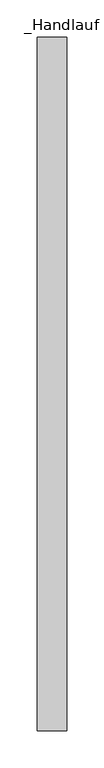
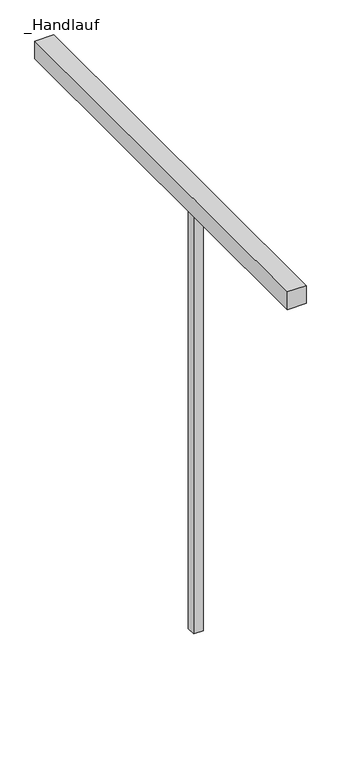
"""IFC4 building model written with IfcOpenShell, lengths in millimetres: railing geometry, _Handlauf."""

from ifc_helpers import new_model, si_unit, frame, origin, place, context, project, spatial, polyline, outline, extrude, source, transform, mapped, element, save


def handlauf_102883ec(model_context):
    return source(origin(), model_context, "Body", "SweptSolid", [
        extrude(outline(polyline([(8940.0, 6237.4), (8980.0, 6237.4), (8980.0, 5300.0), (8940.0, 5300.0), (8940.0, 6237.4)])), frame((0.0, 0.0, 4460.0), z_axis=(0.0, 0.0, 1.0), x_axis=(1.0, 0.0, 0.0)), (0.0, 0.0, 1.0), 40.0),
        extrude(outline(polyline([(8950.0, 5684.96), (8970.0, 5684.96), (8970.0, 5664.96), (8950.0, 5664.96), (8950.0, 5684.96)])), frame((0.0, 0.0, 3500.0), z_axis=(0.0, 0.0, 1.0), x_axis=(1.0, 0.0, 0.0)), (0.0, 0.0, 1.0), 960.0),
    ])


if __name__ == "__main__":
    model = new_model("IFC4")
    model_context = context("Model", 3, world=origin())
    ifc_project = project(units=[si_unit("LENGTHUNIT", "METRE", prefix="MILLI")], contexts=[model_context])
    site = spatial("IfcSite", under=ifc_project)
    building = spatial("IfcBuilding", under=site)
    placement = place(None, origin())
    handlauf_shape = handlauf_102883ec(model_context)
    element("IfcRailing", 1, ObjectType="_Handlauf", at=placement, inside=building, context=model_context, shape_type="MappedRepresentation", body=[
        mapped(handlauf_shape, transform((0.0, 0.0, 0.0), x_axis=(1.0, 0.0, 0.0), y_axis=(0.0, 1.0, 0.0), z_axis=(0.0, 0.0, 1.0))),
    ])
    save(model, "model.ifc")
